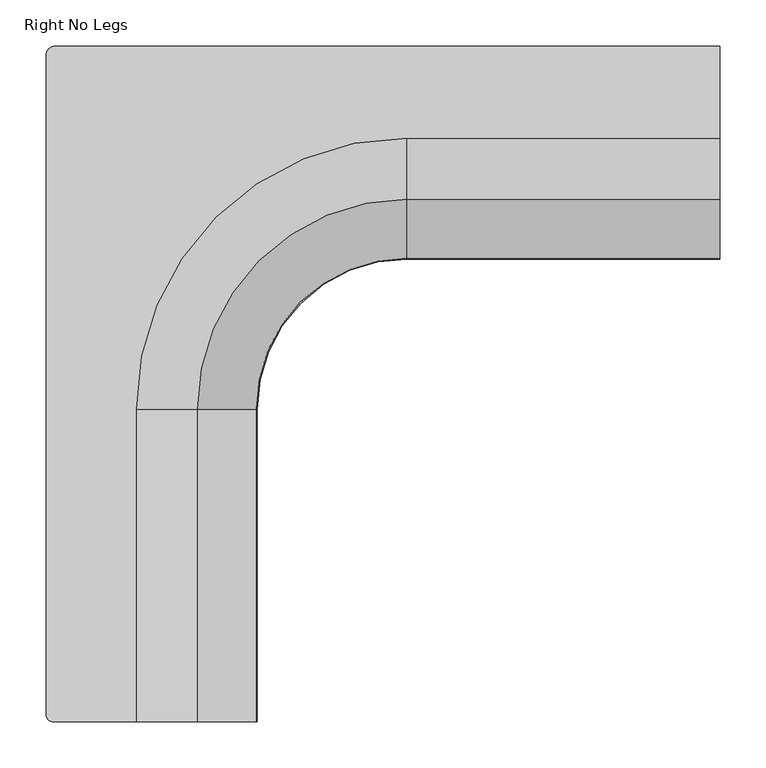
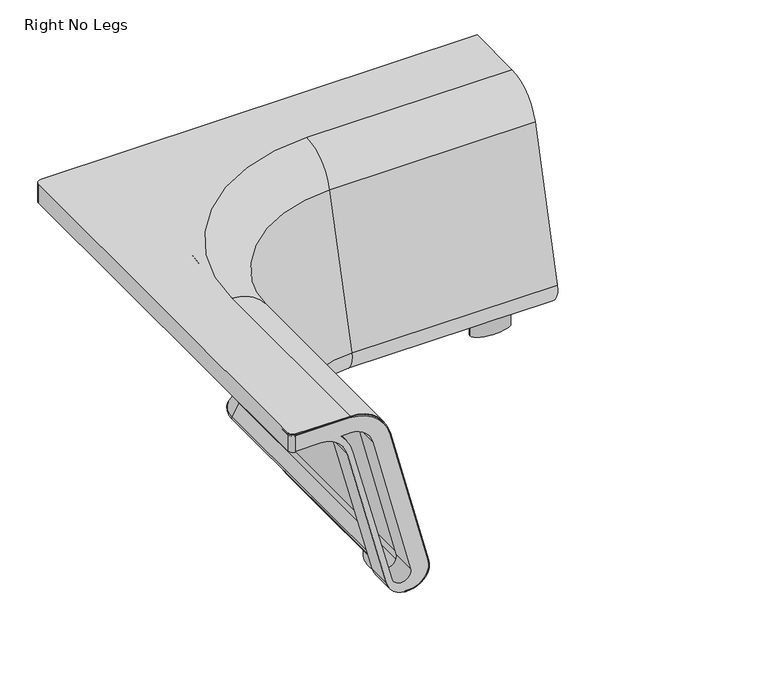
"""IFC4 building model written with IfcOpenShell, lengths in millimetres: furniture geometry, Right No Legs."""

from ifc_helpers import new_model, si_unit, point, frame, origin, place, context, project, spatial, polyline, circle_curve, ellipse_curve, trimmed, source, transform, mapped, element, save
from ifc_brep_helpers import plane_surface, cylinder_surface, revolved_surface, extruded_surface, advanced_brep


def right_no_legs_55390736(model_context):
    return source(origin(), model_context, "Body", "AdvancedBrep", [
        advanced_brep(
        [(4.0928451, -727.9036447, 737.6898792), (4.0928451, -727.9036447, 738.7058792), (4.0928451, -12.4482706, 738.7058792), (4.0928451, -12.4482706, 737.6898792), (4.0928451, -12.4482706, 706.9539877), (4.0928451, -727.9036447, 706.9539877), (14.4529294, -2.0881863, 737.6898792), (14.4529294, -2.0881863, 738.7058792), (736.3766025, -2.0881863, 738.7058792), (736.3766025, -2.0881863, 706.9539877), (14.4529294, -2.0881863, 706.9539877), (11.3999571, -736.2935731, 737.6898792), (12.5630029, -736.3738026, 737.6898792), (12.5630029, -736.3738026, 738.7058792), (736.3753826, -102.0674231, 738.7058792), (736.3745724, -168.4700826, 687.3197435), (736.3737918, -232.4411346, 440.504753), (736.3741779, -200.7960971, 399.6121149), (736.37428, -192.4303931, 399.6121149), (736.37428, -192.4303931, 400.6281149), (736.3741779, -200.7960971, 400.6281149), (736.3738038, -231.4576323, 440.2498427), (736.3745844, -167.4865803, 687.0648332), (736.3753826, -102.0674231, 737.6898792), (736.376583, -3.6883863, 737.6898792), (736.376583, -3.6883863, 706.9539877), (102.0674231, -736.3738026, 738.7058792), (102.0674231, -396.6555944, 738.7058792), (396.6633339, -102.063278, 738.7058792), (396.6625237, -168.4659375, 687.3197435), (396.6617431, -232.4369896, 440.504753), (168.4700826, -396.6555944, 687.3197435), (232.4411346, -396.6555944, 440.504753), (102.0674231, -736.3738026, 737.6898792), (167.4865803, -736.3738026, 687.0648332), (231.4576323, -736.3738026, 440.2498427), (200.7960971, -736.3738026, 400.6281149), (192.4303931, -736.3738026, 400.6281149), (192.4303931, -736.3738026, 399.6121149), (200.7960971, -736.3738026, 399.6121149), (232.4411346, -736.3738026, 440.504753), (168.4700826, -736.3738026, 687.3197435), (396.6621292, -200.7919521, 399.6121149), (200.7960971, -396.6555944, 399.6121149), (192.4303931, -396.6555944, 399.6121149), (396.6622313, -192.4262481, 399.6121149), (396.6622313, -192.4262481, 400.6281149), (192.4303931, -396.6555944, 400.6281149), (200.7960971, -396.6555944, 400.6281149), (396.6621292, -200.7919521, 400.6281149), (396.6617551, -231.4534873, 440.2498427), (396.6625357, -167.4824352, 687.0648332), (396.6633339, -102.063278, 737.6898792), (102.0674231, -396.6555944, 737.6898792), (11.3999571, -734.6744383, 737.6898792), (5.6930451, -727.9036447, 737.6898792), (5.6930451, -12.4482706, 737.6898792), (14.4529294, -3.6883863, 737.6898792), (231.4576323, -396.6555944, 440.2498427), (167.4865803, -396.6555944, 687.0648332), (14.4529294, -3.6883863, 706.9539877), (5.6930451, -12.4482706, 706.9539877), (5.6930451, -727.9036447, 706.9539877), (11.3999571, -734.6744383, 706.9539877), (11.3999571, -736.2935731, 706.9539877)],
        [
            (0, 1),
            (1, 2),
            (2, 3),
            (3, 4),
            (4, 5),
            (5, 0),
            (6, 7),
            (7, 8),
            (8, 9),
            (9, 10),
            (10, 6),
            (0, 11, circle_curve(frame((12.5630029, -727.9036447, 737.6898792), z_axis=(0.0, 0.0, 1.0), x_axis=(1.0, 0.0, 0.0)), 8.4701579)),
            (11, 12, circle_curve(frame((12.5630029, -727.9036447, 737.6898792), z_axis=(0.0, 0.0, 1.0), x_axis=(1.0, 0.0, 0.0)), 8.4701579)),
            (12, 13),
            (13, 1, circle_curve(frame((12.5630029, -727.9036447, 738.7058792), z_axis=(0.0, 0.0, -1.0), x_axis=(1.0, 0.0, 0.0)), 8.4701579)),
            (6, 3, circle_curve(frame((14.4529294, -12.4482706, 737.6898792), z_axis=(0.0, 0.0, 1.0), x_axis=(1.0, 0.0, 0.0)), 10.3600843)),
            (2, 7, circle_curve(frame((14.4529294, -12.4482706, 738.7058792), z_axis=(0.0, 0.0, -1.0), x_axis=(1.0, 0.0, 0.0)), 10.3600843)),
            (14, 15, circle_curve(frame((736.3753826, -102.0674231, 670.1090872), z_axis=(0.9999999999255604, -1.2201603601564117e-05, 0.0), x_axis=(-1.2201603601564117e-05, -0.9999999999255604, 0.0)), 68.5967921)),
            (15, 16),
            (16, 17, circle_curve(frame((736.3741779, -200.7960971, 432.3027944), z_axis=(0.9999999999255604, -1.2201603601564117e-05, 0.0), x_axis=(-1.2201603601564117e-05, -0.9999999999255604, 0.0)), 32.6906795)),
            (17, 18),
            (18, 19),
            (19, 20),
            (20, 21, circle_curve(frame((736.3741779, -200.7960971, 432.3027944), z_axis=(-0.9999999999255604, 1.2201603601564117e-05, 0.0), x_axis=(-1.2201603601564117e-05, -0.9999999999255604, 0.0)), 31.6746795)),
            (21, 22),
            (22, 23, circle_curve(frame((736.3753826, -102.0674231, 670.1090872), z_axis=(-0.9999999999255604, 1.2201603601564117e-05, 0.0), x_axis=(-1.2201603601564117e-05, -0.9999999999255604, 0.0)), 67.5807921)),
            (23, 24),
            (24, 25),
            (25, 9),
            (8, 14),
            (26, 27),
            (27, 28, circle_curve(frame((396.6597394, -396.6555944, 738.7058792), z_axis=(0.0, 0.0, -1.0), x_axis=(1.2201603601028011e-05, 0.9999999999255604, 0.0)), 294.5923163)),
            (28, 14),
            (13, 26),
            (28, 29, circle_curve(frame((396.6633339, -102.063278, 670.1090872), z_axis=(0.9999999999255604, -1.2201603601564117e-05, 0.0), x_axis=(-1.2201603601564117e-05, -0.9999999999255604, 0.0)), 68.5967921)),
            (29, 15),
            (29, 30),
            (30, 16),
            (27, 31, circle_curve(frame((102.0674231, -396.6555944, 670.1090872), z_axis=(0.0, 1.0, 0.0), x_axis=(1.0, 0.0, 0.0)), 68.5967921)),
            (31, 29, circle_curve(frame((396.6597394, -396.6555944, 687.3197435), z_axis=(0.0, 0.0, -1.0), x_axis=(1.2201603601028011e-05, 0.9999999999255604, 0.0)), 228.1896568)),
            (31, 32),
            (32, 30, circle_curve(frame((396.6597394, -396.6555944, 440.504753), z_axis=(0.0, 0.0, -1.0), x_axis=(1.2201603601028011e-05, 0.9999999999255604, 0.0)), 164.2186048)),
            (33, 34, circle_curve(frame((102.0674231, -736.3738026, 670.1090872), z_axis=(0.0, 1.0, 0.0), x_axis=(1.0, 0.0, 0.0)), 67.5807921)),
            (34, 35),
            (35, 36, circle_curve(frame((200.7960971, -736.3738026, 432.3027944), z_axis=(0.0, 1.0, 0.0), x_axis=(1.0, 0.0, 0.0)), 31.6746795)),
            (36, 37),
            (37, 38),
            (38, 39),
            (39, 40, circle_curve(frame((200.7960971, -736.3738026, 432.3027944), z_axis=(0.0, -1.0, 0.0), x_axis=(1.0, 0.0, 0.0)), 32.6906795)),
            (40, 41),
            (41, 26, circle_curve(frame((102.0674231, -736.3738026, 670.1090872), z_axis=(0.0, -1.0, 0.0), x_axis=(1.0, 0.0, 0.0)), 68.5967921)),
            (12, 33),
            (41, 31),
            (40, 32),
            (30, 42, circle_curve(frame((396.6621292, -200.7919521, 432.3027944), z_axis=(0.9999999999255604, -1.2201603601564117e-05, 0.0), x_axis=(-1.2201603601564117e-05, -0.9999999999255604, 0.0)), 32.6906795)),
            (42, 17),
            (42, 43, circle_curve(frame((396.6597394, -396.6555944, 399.6121149), z_axis=(0.0, 0.0, 1.0), x_axis=(1.2201603601028011e-05, 0.9999999999255604, 0.0)), 195.8636423)),
            (43, 39),
            (38, 44),
            (44, 45, circle_curve(frame((396.6597394, -396.6555944, 399.6121149), z_axis=(0.0, 0.0, -1.0), x_axis=(1.2201603601028011e-05, 0.9999999999255604, 0.0)), 204.2293463)),
            (45, 18),
            (32, 43, circle_curve(frame((200.7960971, -396.6555944, 432.3027944), z_axis=(0.0, 1.0, 0.0), x_axis=(1.0, 0.0, 0.0)), 32.6906795)),
            (45, 46),
            (46, 19),
            (46, 47, circle_curve(frame((396.6597394, -396.6555944, 400.6281149), z_axis=(0.0, 0.0, 1.0), x_axis=(1.2201603601028011e-05, 0.9999999999255604, 0.0)), 204.2293463)),
            (47, 37),
            (36, 48),
            (48, 49, circle_curve(frame((396.6597394, -396.6555944, 400.6281149), z_axis=(0.0, 0.0, -1.0), x_axis=(1.2201603601028011e-05, 0.9999999999255604, 0.0)), 195.8636423)),
            (49, 20),
            (49, 50, circle_curve(frame((396.6621292, -200.7919521, 432.3027944), z_axis=(-0.9999999999255604, 1.2201603601564117e-05, 0.0), x_axis=(-1.2201603601564117e-05, -0.9999999999255604, 0.0)), 31.6746795)),
            (50, 21),
            (50, 51),
            (51, 22),
            (51, 52, circle_curve(frame((396.6633339, -102.063278, 670.1090872), z_axis=(-0.9999999999255604, 1.2201603601564117e-05, 0.0), x_axis=(-1.2201603601564117e-05, -0.9999999999255604, 0.0)), 67.5807921)),
            (52, 23),
            (52, 53, circle_curve(frame((396.6597394, -396.6555944, 737.6898792), z_axis=(0.0, 0.0, 1.0), x_axis=(1.2201603601028011e-05, 0.9999999999255604, 0.0)), 294.5923163)),
            (53, 33),
            (11, 54),
            (54, 55, circle_curve(frame((12.5630029, -727.9036447, 737.6898792), z_axis=(0.0, 0.0, -1.0), x_axis=(1.0, 0.0, 0.0)), 6.8699579)),
            (55, 56),
            (56, 57, circle_curve(frame((14.4529294, -12.4482706, 737.6898792), z_axis=(0.0, 0.0, -1.0), x_axis=(1.0, 0.0, 0.0)), 8.7598843)),
            (57, 24),
            (44, 47),
            (48, 58, circle_curve(frame((200.7960971, -396.6555944, 432.3027944), z_axis=(0.0, -1.0, 0.0), x_axis=(1.0, 0.0, 0.0)), 31.6746795)),
            (58, 50, circle_curve(frame((396.6597394, -396.6555944, 440.2498427), z_axis=(0.0, 0.0, -1.0), x_axis=(1.2201603601028011e-05, 0.9999999999255604, 0.0)), 165.2021071)),
            (58, 59),
            (59, 51, circle_curve(frame((396.6597394, -396.6555944, 687.0648332), z_axis=(0.0, 0.0, -1.0), x_axis=(1.2201603601028011e-05, 0.9999999999255604, 0.0)), 229.1731591)),
            (59, 53, circle_curve(frame((102.0674231, -396.6555944, 670.1090872), z_axis=(0.0, -1.0, 0.0), x_axis=(1.0, 0.0, 0.0)), 67.5807921)),
            (35, 58),
            (34, 59),
            (25, 60),
            (60, 61, circle_curve(frame((14.4529294, -12.4482706, 706.9539877), z_axis=(0.0, 0.0, 1.0), x_axis=(1.0, 0.0, 0.0)), 8.7598843)),
            (61, 62),
            (62, 63, circle_curve(frame((12.5630029, -727.9036447, 706.9539877), z_axis=(0.0, 0.0, 1.0), x_axis=(1.0, 0.0, 0.0)), 6.8699579)),
            (63, 64),
            (64, 5, circle_curve(frame((12.5630029, -727.9036447, 706.9539877), z_axis=(0.0, 0.0, -1.0), x_axis=(1.0, 0.0, 0.0)), 8.4701579)),
            (4, 10, circle_curve(frame((14.4529294, -12.4482706, 706.9539877), z_axis=(0.0, 0.0, -1.0), x_axis=(1.0, 0.0, 0.0)), 10.3600843)),
            (64, 11),
            (63, 54),
            (62, 55),
            (61, 56),
            (60, 57),
        ],
        [
            plane_surface(frame((4.0928451, -727.9036447, 1282.6551864), z_axis=(-1.0, 0.0, 0.0), x_axis=(0.0, 0.0, -1.0))),
            plane_surface(frame((14.4529294, -2.0881863, 1282.6551864), z_axis=(0.0, 1.0, 0.0), x_axis=(0.0, 0.0, -1.0))),
            cylinder_surface(frame((12.5630029, -727.9036447, 0.0), z_axis=(0.0, 0.0, -1.0), x_axis=(1.0, 0.0, 0.0)), 8.4701579),
            cylinder_surface(frame((14.4529294, -12.4482706, 0.0), z_axis=(0.0, 0.0, -1.0), x_axis=(1.0, 0.0, 0.0)), 10.3600843),
            plane_surface(frame((736.3738026, -231.5597394, 0.0992188), z_axis=(0.9999999999255604, -1.2201603601564117e-05, 0.0), x_axis=(0.0, 0.0, 1.0))),
            plane_surface(frame((736.3815867, 406.4, 738.7058792), z_axis=(0.0, 0.0, 1.0000000000000002), x_axis=(-0.9999999999255605, 1.2201603600809526e-05, 0.0))),
            cylinder_surface(frame((736.3753826, -102.0674231, 670.1090872), z_axis=(0.9999999999255604, -1.2201603601564117e-05, 0.0), x_axis=(-1.2201603601564117e-05, -0.9999999999255604, 0.0)), 68.5967921),
            plane_surface(frame((736.3745724, -168.4700826, 687.3197435), z_axis=(-1.181132389640143e-05, -0.9680140645005036, 0.25089593617615186), x_axis=(-0.9999999999255605, 1.2201603601407204e-05, 0.0))),
            revolved_surface(trimmed(ellipse_curve(frame((396.6633339, -102.063278, 670.1090872), z_axis=(0.9999999999255604, -1.2201603601028011e-05, 0.0), x_axis=(-1.2201603601028011e-05, -0.9999999999255604, 0.0)), 68.5967921, 68.5967921), [point((396.6633339, -102.063278, 738.7058792))], [point((396.6625237, -168.4659375, 687.3197435))], True, "CARTESIAN"), (396.6597394, -396.6555944, 0.0992188), (0.0, 0.0, 1.0)),
            revolved_surface(polyline([(396.6625237, -168.4659375, 687.3197435), (396.6617431, -232.4369896, 440.504753)]), (396.6597394, -396.6555944, 0.0992188), (0.0, 0.0, 1.0)),
            plane_surface(frame((231.5597394, -736.3738026, 0.0992188), z_axis=(0.0, -1.0, 0.0), x_axis=(0.0, 0.0, 1.0))),
            cylinder_surface(frame((102.0674231, -396.6555944, 670.1090872), z_axis=(0.0, 1.0, 0.0), x_axis=(1.0, 0.0, 0.0)), 68.5967921),
            plane_surface(frame((168.4700826, -396.6555944, 687.3197435), z_axis=(0.9680140645725621, 0.0, 0.25089593617615186), x_axis=(0.0, -1.0, 0.0))),
            cylinder_surface(frame((736.3741779, -200.7960971, 432.3027944), z_axis=(0.9999999999255604, -1.2201603601564117e-05, 0.0), x_axis=(-1.2201603601564117e-05, -0.9999999999255604, 0.0)), 32.6906795),
            plane_surface(frame((736.3741779, -200.7960971, 399.6121149), z_axis=(0.0, 0.0, -1.0000000000000002), x_axis=(-0.9999999999255605, 1.2201603601108366e-05, 0.0))),
            revolved_surface(trimmed(ellipse_curve(frame((396.6621292, -200.7919521, 432.3027944), z_axis=(0.9999999999255604, -1.2201603601028011e-05, 0.0), x_axis=(-1.2201603601028011e-05, -0.9999999999255604, 0.0)), 32.6906795, 32.6906795), [point((396.6617431, -232.4369896, 440.504753))], [point((396.6621292, -200.7919521, 399.6121149))], True, "CARTESIAN"), (396.6597394, -396.6555944, 0.0992188), (0.0, 0.0, 1.0)),
            cylinder_surface(frame((200.7960971, -396.6555944, 432.3027944), z_axis=(0.0, 1.0, 0.0), x_axis=(1.0, 0.0, 0.0)), 32.6906795),
            plane_surface(frame((736.37428, -192.4303931, 399.6121149), z_axis=(1.2201603601805652e-05, 0.9999999999255605, 0.0), x_axis=(-0.9999999999255605, 1.2201603601805652e-05, 0.0))),
            plane_surface(frame((736.37428, -192.4303931, 400.6281149), z_axis=(0.0, 0.0, 1.0000000000000002), x_axis=(-0.9999999999255605, 1.2201603601805652e-05, 0.0))),
            revolved_surface(polyline([(396.661742718117, -232.46663156588494, 432.3027944), (736.3737914380149, -232.4707765976424, 432.3027944)]), (736.3741779, -200.7960971, 432.3027944), (-0.9999999999255604, 1.2201603601564117e-05, 0.0)),
            plane_surface(frame((736.3738038, -231.4576323, 440.2498427), z_axis=(1.181132389717638e-05, 0.9680140645005036, -0.25089593617615186), x_axis=(-0.9999999999255605, 1.2201603602104489e-05, 0.0))),
            revolved_surface(polyline([(396.6625093059629, -169.6440701632121, 670.1090872), (736.3745580245878, -169.64821519496954, 670.1090872)]), (736.3753826, -102.0674231, 670.1090872), (-0.9999999999255604, 1.2201603601564117e-05, 0.0)),
            plane_surface(frame((736.3753826, -102.0674231, 737.6898792), z_axis=(0.0, 0.0, -1.0000000000000002), x_axis=(-0.9999999999255605, 1.2201603601357392e-05, 0.0))),
            cylinder_surface(frame((396.6597394, -396.6555944, 0.0992188), z_axis=(0.0, 0.0, 1.0), x_axis=(1.2201603601028011e-05, 0.9999999999255604, 0.0)), 204.2293463),
            revolved_surface(trimmed(ellipse_curve(frame((396.6621292, -200.7919521, 432.3027944), z_axis=(-0.9999999999255604, 1.2201603601028011e-05, 0.0), x_axis=(-1.2201603601028011e-05, -0.9999999999255604, 0.0)), 31.6746795, 31.6746795), [point((396.6621292, -200.7919521, 400.6281149))], [point((396.6617551, -231.4534873, 440.2498427))], True, "CARTESIAN"), (396.6597394, -396.6555944, 0.0992188), (0.0, 0.0, 1.0)),
            revolved_surface(polyline([(396.6617551, -231.4534873, 440.2498427), (396.6625357, -167.4824352, 687.0648332)]), (396.6597394, -396.6555944, 0.0992188), (0.0, 0.0, 1.0)),
            revolved_surface(trimmed(ellipse_curve(frame((396.6633339, -102.063278, 670.1090872), z_axis=(-0.9999999999255604, 1.2201603601028011e-05, 0.0), x_axis=(-1.2201603601028011e-05, -0.9999999999255604, 0.0)), 67.5807921, 67.5807921), [point((396.6625357, -167.4824352, 687.0648332))], [point((396.6633339, -102.063278, 737.6898792))], True, "CARTESIAN"), (396.6597394, -396.6555944, 0.0992188), (0.0, 0.0, 1.0)),
            plane_surface(frame((192.4303931, -396.6555944, 399.6121149), z_axis=(-1.0, 0.0, 0.0), x_axis=(0.0, -1.0, 0.0))),
            revolved_surface(polyline([(232.4707766, -736.3738026, 432.3027944), (232.4707766, -396.6555944, 432.3027944)]), (200.7960971, -396.6555944, 432.3027944), (0.0, -1.0, 0.0)),
            plane_surface(frame((231.4576323, -396.6555944, 440.2498427), z_axis=(-0.9680140645725621, 0.0, -0.25089593617615186), x_axis=(0.0, -1.0, 0.0))),
            revolved_surface(polyline([(169.64821519999998, -736.3738026, 670.1090872), (169.64821519999998, -396.6555944, 670.1090872)]), (102.0674231, -396.6555944, 670.1090872), (0.0, -1.0, 0.0)),
            plane_surface(frame((24.8130137, -12.4482706, 706.9539877), z_axis=(0.0, 0.0, -1.0), x_axis=(0.0, -1.0, 0.0))),
            cylinder_surface(frame((14.4529294, -12.4482706, 706.9539877), z_axis=(0.0, 0.0, 1.0), x_axis=(1.0, 0.0, 0.0)), 10.3600843),
            cylinder_surface(frame((12.5630029, -727.9036447, 706.9539877), z_axis=(0.0, 0.0, 1.0), x_axis=(1.0, 0.0, 0.0)), 8.4701579),
            plane_surface(frame((11.3999571, -736.2935731, 737.6898792), z_axis=(1.0, 0.0, 0.0), x_axis=(0.0, 0.0, -1.0))),
            revolved_surface(polyline([(19.4329608, -727.9036447, 706.9539877), (19.4329608, -727.9036447, 737.6898792)]), (12.5630029, -727.9036447, 706.9539877), (0.0, 0.0, -1.0)),
            plane_surface(frame((5.6930451, -727.9036447, 737.6898792), z_axis=(1.0, 0.0, 0.0), x_axis=(0.0, 0.0, -1.0))),
            revolved_surface(polyline([(23.212813699999998, -12.4482706, 706.9539877), (23.212813699999998, -12.4482706, 737.6898792)]), (14.4529294, -12.4482706, 706.9539877), (0.0, 0.0, -1.0)),
            plane_surface(frame((14.4529294, -3.6883863, 737.6898792), z_axis=(0.0, -1.0, 0.0), x_axis=(0.0, 0.0, -1.0))),
        ],
        [
            (0, [[1, 2, 3, 4, 5, 6]]),
            (1, [[7, 8, 9, 10, 11]]),
            (2, [[-1, 12, 13, 14, 15]]),
            (3, [[-7, 16, -3, 17]]),
            (4, [[18, 19, 20, 21, 22, 23, 24, 25, 26, 27, 28, 29, -9, 30]]),
            (5, [[31, 32, 33, -30, -8, -17, -2, -15, 34]]),
            (6, [[-18, -33, 35, 36]]),
            (7, [[-19, -36, 37, 38]]),
            (8, [[-32, 39, 40, -35]]),
            (9, [[-37, -40, 41, 42]]),
            (10, [[43, 44, 45, 46, 47, 48, 49, 50, 51, -34, -14, 52]]),
            (11, [[-31, -51, 53, -39]]),
            (12, [[-41, -53, -50, 54]]),
            (13, [[-20, -38, 55, 56]]),
            (14, [[-21, -56, 57, 58, -48, 59, 60, 61]]),
            (15, [[-42, 62, -57, -55]]),
            (16, [[-49, -58, -62, -54]]),
            (17, [[-22, -61, 63, 64]]),
            (18, [[-23, -64, 65, 66, -46, 67, 68, 69]]),
            (19, [[-24, -69, 70, 71]]),
            (20, [[-25, -71, 72, 73]]),
            (21, [[-26, -73, 74, 75]]),
            (22, [[-75, 76, 77, -52, -13, 78, 79, 80, 81, 82, -27]]),
            (23, [[-60, 83, -65, -63]]),
            (24, [[-68, 84, 85, -70]]),
            (25, [[-72, -85, 86, 87]]),
            (26, [[-74, -87, 88, -76]]),
            (27, [[-47, -66, -83, -59]]),
            (28, [[-45, 89, -84, -67]]),
            (29, [[-44, 90, -86, -89]]),
            (30, [[-43, -77, -88, -90]]),
            (31, [[-10, -29, 91, 92, 93, 94, 95, 96, -5, 97]]),
            (32, [[-97, -4, -16, -11]]),
            (33, [[-96, 98, -12, -6]]),
            (34, [[-95, 99, -78, -98]]),
            (35, [[-94, 100, -79, -99]]),
            (36, [[-93, 101, -80, -100]]),
            (37, [[-92, 102, -81, -101]]),
            (38, [[-91, -28, -82, -102]]),
        ],
    ),
        advanced_brep(
        [(206.4803363, -668.581808, 403.3751371), (206.4803363, -601.4756155, 403.3751371), (206.4803363, -668.581808, 381.0), (206.4803363, -601.4756155, 381.0)],
        [
            (0, 1, ellipse_curve(frame((206.4803363, -635.0287117, 403.3751371), z_axis=(0.0, 0.0, 1.0), x_axis=(0.0, 1.0, 0.0)), 33.5530962, 13.5066429)),
            (1, 0, ellipse_curve(frame((206.4803363, -635.0287117, 403.3751371), z_axis=(0.0, 0.0, 1.0), x_axis=(0.0, 1.0, 0.0)), 33.5530962, 13.5066429)),
            (2, 3, ellipse_curve(frame((206.4803363, -635.0287117, 381.0), z_axis=(0.0, 0.0, -1.0), x_axis=(0.0, 1.0, 0.0)), 33.5530962, 13.5066429)),
            (3, 2, ellipse_curve(frame((206.4803363, -635.0287117, 381.0), z_axis=(0.0, 0.0, -1.0), x_axis=(0.0, 1.0, 0.0)), 33.5530962, 13.5066429)),
            (1, 3),
            (2, 0),
        ],
        [
            plane_surface(frame((206.4803363, -601.4756155, 403.3751371), z_axis=(0.0, 0.0, 1.0), x_axis=(-1.0, 0.0, 0.0))),
            plane_surface(frame((206.4803363, -601.4756155, 381.0), z_axis=(0.0, 0.0, -1.0), x_axis=(1.0, 0.0, 0.0))),
            extruded_surface(trimmed(ellipse_curve(frame((206.4803363, -635.0287117, 358.6248629), z_axis=(0.0, 0.0, 1.0), x_axis=(0.0, 1.0, 0.0)), 33.5530962, 13.5066429), [point((206.4803363, -601.4756155, 358.6248629))], [point((206.4803363, -668.581808, 358.6248629))], True, "CARTESIAN"), (0.0, 0.0, 22.375137100000018), 22.375137100000018),
            extruded_surface(trimmed(ellipse_curve(frame((206.4803363, -635.0287117, 358.6248629), z_axis=(0.0, 0.0, 1.0), x_axis=(0.0, 1.0, 0.0)), 33.5530962, 13.5066429), [point((206.4803363, -668.581808, 358.6248629))], [point((206.4803363, -601.4756155, 358.6248629))], True, "CARTESIAN"), (0.0, 0.0, 22.375137100000018), 22.375137100000018),
        ],
        [
            (0, [[1, 2]]),
            (1, [[3, 4]]),
            (2, [[-2, 5, -3, 6]]),
            (3, [[-1, -6, -4, -5]]),
        ],
    ),
        advanced_brep(
        [(606.5149378, -206.4844747, 407.9918445), (673.6211303, -206.4844747, 407.9918445), (606.5149378, -206.4844747, 381.0), (673.6211303, -206.4844747, 381.0)],
        [
            (0, 1, ellipse_curve(frame((640.0680341, -206.4844747, 407.9918445), z_axis=(0.0, 0.0, 1.0), x_axis=(1.0, 0.0, 0.0)), 33.5530962, 13.5066429)),
            (1, 0, ellipse_curve(frame((640.0680341, -206.4844747, 407.9918445), z_axis=(0.0, 0.0, 1.0), x_axis=(1.0, 0.0, 0.0)), 33.5530962, 13.5066429)),
            (2, 3, ellipse_curve(frame((640.0680341, -206.4844747, 381.0), z_axis=(0.0, 0.0, -1.0), x_axis=(1.0, 0.0, 0.0)), 33.5530962, 13.5066429)),
            (3, 2, ellipse_curve(frame((640.0680341, -206.4844747, 381.0), z_axis=(0.0, 0.0, -1.0), x_axis=(1.0, 0.0, 0.0)), 33.5530962, 13.5066429)),
            (1, 3),
            (2, 0),
        ],
        [
            plane_surface(frame((673.6211303, -206.4844747, 407.9918445), z_axis=(0.0, 0.0, 1.0), x_axis=(0.0, 1.0, 0.0))),
            plane_surface(frame((673.6211303, -206.4844747, 381.0), z_axis=(0.0, 0.0, -1.0), x_axis=(0.0, -1.0, 0.0))),
            extruded_surface(trimmed(ellipse_curve(frame((640.0680341, -206.4844747, 354.0081555), z_axis=(0.0, 0.0, 1.0), x_axis=(1.0, 0.0, 0.0)), 33.5530962, 13.5066429), [point((673.6211303, -206.4844747, 354.0081555))], [point((606.5149378, -206.4844747, 354.0081555))], True, "CARTESIAN"), (0.0, 0.0, 26.991844500000013), 26.991844500000013),
            extruded_surface(trimmed(ellipse_curve(frame((640.0680341, -206.4844747, 354.0081555), z_axis=(0.0, 0.0, 1.0), x_axis=(1.0, 0.0, 0.0)), 33.5530962, 13.5066429), [point((606.5149378, -206.4844747, 354.0081555))], [point((673.6211303, -206.4844747, 354.0081555))], True, "CARTESIAN"), (0.0, 0.0, 26.991844500000013), 26.991844500000013),
        ],
        [
            (0, [[1, 2]]),
            (1, [[3, 4]]),
            (2, [[-2, 5, -3, 6]]),
            (3, [[-1, -6, -4, -5]]),
        ],
    ),
        advanced_brep(
        [(4.0928451, -727.9036447, 708.6966867), (4.0928451, -727.9036447, 735.4755137), (4.0928451, -695.6642235, 735.4755137), (4.0928451, -695.6642235, 708.6966867), (12.5630029, -736.3738026, 735.4755137), (12.5630029, -736.3738026, 708.6966867), (53.3675541, -736.3738026, 708.6966867), (97.3697672, -736.3738026, 674.6745672), (162.2222659, -736.3738026, 425.313919), (230.6712686, -736.3738026, 443.0853769), (168.2524008, -736.3738026, 683.9116846), (101.6201207, -736.3738026, 735.4755137), (171.7403513, -736.3738026, 429.3472792), (107.578181, -736.3738026, 673.3498636), (87.27159, -736.3738026, 708.6966867), (102.9644436, -736.3738026, 708.6966867), (139.8694251, -736.3738026, 680.0641225), (202.1602016, -736.3738026, 437.2486429), (101.6201207, -695.6642235, 735.4755137), (168.2524008, -695.6642235, 683.9116846), (230.6712686, -695.6642235, 443.0853769), (162.2222659, -695.6642235, 425.313919), (97.3697672, -695.6642235, 674.6745672), (53.3675541, -695.6642235, 708.6966867), (171.7403513, -695.6642235, 429.3472792), (202.1602016, -695.6642235, 437.2486429), (139.8694251, -695.6642235, 680.0641225), (102.9644436, -695.6642235, 708.6966867), (87.27159, -695.6642235, 708.6966867), (107.578181, -695.6642235, 673.3498636)],
        [
            (0, 1),
            (1, 2),
            (2, 3),
            (3, 0),
            (4, 5),
            (5, 6),
            (6, 7, circle_curve(frame((53.3675541, -736.3738026, 663.2306867), z_axis=(0.0, 1.0, 0.0), x_axis=(1.0, 0.0, 0.0)), 45.466)),
            (7, 8),
            (8, 9, circle_curve(frame((196.4430676, -736.3738026, 434.2138978), z_axis=(0.0, -1.0, 0.0), x_axis=(1.0, 0.0, 0.0)), 35.359198)),
            (9, 10),
            (10, 11, circle_curve(frame((101.6201207, -736.3738026, 666.6415137), z_axis=(0.0, -1.0, 0.0), x_axis=(1.0, 0.0, 0.0)), 68.834)),
            (11, 4),
            (12, 13),
            (13, 14, circle_curve(frame((32.1254574, -736.3738026, 653.5090471), z_axis=(0.0, -1.0, 0.0), x_axis=(1.0, 0.0, 0.0)), 78.017764)),
            (14, 15),
            (15, 16, circle_curve(frame((102.9644436, -736.3738026, 670.5966867), z_axis=(0.0, 1.0, 0.0), x_axis=(1.0, 0.0, 0.0)), 38.1)),
            (16, 17),
            (17, 12, circle_curve(frame((186.9383936, -736.3738026, 433.3437097), z_axis=(0.0, 1.0, 0.0), x_axis=(1.0, 0.0, 0.0)), 15.7147047)),
            (0, 5, circle_curve(frame((12.5630029, -727.9036447, 708.6966867), z_axis=(0.0, 0.0, 1.0), x_axis=(1.0, 0.0, 0.0)), 8.4701579)),
            (4, 1, circle_curve(frame((12.5630029, -727.9036447, 735.4755137), z_axis=(0.0, 0.0, -1.0), x_axis=(1.0, 0.0, 0.0)), 8.4701579)),
            (18, 19, circle_curve(frame((101.6201207, -695.6642235, 666.6415137), z_axis=(0.0, 1.0, 0.0), x_axis=(1.0, 0.0, 0.0)), 68.834)),
            (19, 20),
            (20, 21, circle_curve(frame((196.4430676, -695.6642235, 434.2138978), z_axis=(0.0, 1.0, 0.0), x_axis=(1.0, 0.0, 0.0)), 35.359198)),
            (21, 22),
            (22, 23, circle_curve(frame((53.3675541, -695.6642235, 663.2306867), z_axis=(0.0, -1.0, 0.0), x_axis=(1.0, 0.0, 0.0)), 45.466)),
            (23, 3),
            (2, 18),
            (24, 25, circle_curve(frame((186.9383936, -695.6642235, 433.3437097), z_axis=(0.0, -1.0, 0.0), x_axis=(1.0, 0.0, 0.0)), 15.7147047)),
            (25, 26),
            (26, 27, circle_curve(frame((102.9644436, -695.6642235, 670.5966867), z_axis=(0.0, -1.0, 0.0), x_axis=(1.0, 0.0, 0.0)), 38.1)),
            (27, 28),
            (28, 29, circle_curve(frame((32.1254574, -695.6642235, 653.5090471), z_axis=(0.0, 1.0, 0.0), x_axis=(1.0, 0.0, 0.0)), 78.017764)),
            (29, 24),
            (29, 13),
            (12, 24),
            (28, 14),
            (27, 15),
            (26, 16),
            (25, 17),
            (23, 6),
            (22, 7),
            (21, 8),
            (19, 10),
            (9, 20),
            (18, 11),
        ],
        [
            plane_surface(frame((4.0928451, -727.9036447, 1282.6551864), z_axis=(-1.0, 0.0, 0.0), x_axis=(0.0, 0.0, -1.0))),
            plane_surface(frame((269.5782822, -736.3738026, 1282.6551864), z_axis=(0.0, -1.0, 0.0), x_axis=(0.0, 0.0, -1.0))),
            cylinder_surface(frame((12.5630029, -727.9036447, 0.0), z_axis=(0.0, 0.0, -1.0), x_axis=(1.0, 0.0, 0.0)), 8.4701579),
            plane_surface(frame((107.578181, -695.6642235, 673.3498636), z_axis=(0.0, 1.0, 0.0), x_axis=(0.2543115245127428, 0.0, -0.9671223544619392))),
            plane_surface(frame((171.7403513, -804.2100542, 429.3472792), z_axis=(0.9671223544619392, 0.0, 0.2543115245127428), x_axis=(0.0, 1.0, 0.0))),
            cylinder_surface(frame((32.1254574, -695.6642235, 653.5090471), z_axis=(0.0, -1.0, 0.0), x_axis=(1.0, 0.0, 0.0)), 78.017764),
            plane_surface(frame((87.27159, -804.2100542, 708.6966867), z_axis=(0.0, 0.0, -1.0), x_axis=(0.0, 1.0, 0.0))),
            revolved_surface(polyline([(141.0644436, -695.6642235, 670.5966867), (141.0644436, -736.3738026, 670.5966867)]), (102.9644436, -695.6642235, 670.5966867), (0.0, 1.0, 0.0)),
            plane_surface(frame((139.8694251, -804.2100542, 680.0641225), z_axis=(-0.9686346852607111, 0.0, -0.24848912754863797), x_axis=(0.0, 1.0, 0.0))),
            revolved_surface(polyline([(202.6530983, -695.6642235, 433.3437097), (202.6530983, -736.3738026, 433.3437097)]), (186.9383936, -695.6642235, 433.3437097), (0.0, 1.0, 0.0)),
            plane_surface(frame((-389.6946104, -804.2100542, 708.6966867), z_axis=(0.0, 0.0, -1.0), x_axis=(0.0, 1.0, 0.0))),
            revolved_surface(polyline([(98.8335541, -695.6642235, 663.2306867), (98.8335541, -736.3738026, 663.2306867)]), (53.3675541, 0.0, 663.2306867), (0.0, 1.0, 0.0)),
            plane_surface(frame((97.3697672, -804.2100542, 674.6745672), z_axis=(-0.967804800564199, 0.0, -0.2517019427912527), x_axis=(0.0, 1.0, 0.0))),
            plane_surface(frame((230.6712686, -804.2100542, 443.0853769), z_axis=(0.968014064572562, 0.0, 0.25089593617615225), x_axis=(0.0, 1.0, 0.0))),
            cylinder_surface(frame((101.6201207, 0.0, 666.6415137), z_axis=(0.0, -1.0, 0.0), x_axis=(1.0, 0.0, 0.0)), 68.834),
            plane_surface(frame((101.6201207, -804.2100542, 735.4755137), z_axis=(0.0, 0.0, 1.0), x_axis=(0.0, 1.0, 0.0))),
            cylinder_surface(frame((196.4430676, 0.0, 434.2138978), z_axis=(0.0, -1.0, 0.0), x_axis=(1.0, 0.0, 0.0)), 35.359198),
        ],
        [
            (0, [[1, 2, 3, 4]]),
            (1, [[5, 6, 7, 8, 9, 10, 11, 12], [13, 14, 15, 16, 17, 18]]),
            (2, [[-1, 19, -5, 20]]),
            (3, [[21, 22, 23, 24, 25, 26, -3, 27], [28, 29, 30, 31, 32, 33]]),
            (4, [[-33, 34, -13, 35]]),
            (5, [[-32, 36, -14, -34]]),
            (6, [[-31, 37, -15, -36]]),
            (7, [[-30, 38, -16, -37]]),
            (8, [[-29, 39, -17, -38]]),
            (9, [[-28, -35, -18, -39]]),
            (10, [[-26, 40, -6, -19, -4]]),
            (11, [[-25, 41, -7, -40]]),
            (12, [[-24, 42, -8, -41]]),
            (13, [[-22, 43, -10, 44]]),
            (14, [[-21, 45, -11, -43]]),
            (15, [[-27, -2, -20, -12, -45]]),
            (16, [[-23, -44, -9, -42]]),
        ],
    ),
        advanced_brep(
        [(691.3118002, -2.0881863, 707.2084054), (691.3118002, -2.0881863, 737.6898792), (736.6000242, -2.0881863, 737.6898792), (736.6000242, -2.0881863, 707.2084054), (691.3118002, -53.5130473, 707.2084054), (691.3118002, -97.5152603, 673.186286), (691.3118002, -161.7026996, 426.3828199), (691.3118002, -231.4428526, 440.2076474), (691.3118002, -167.4088622, 687.2654687), (691.3118002, -102.2489719, 737.6898792), (691.3118002, -171.4729752, 429.4464979), (691.3118002, -107.3108049, 673.4490824), (691.3118002, -87.0042139, 708.7959054), (691.3118002, -102.6970675, 708.7959054), (691.3118002, -139.6020491, 680.1633412), (691.3118002, -201.8928255, 437.3478617), (736.6000242, -102.2489719, 737.6898792), (736.6000242, -167.4088622, 687.2654687), (736.6000242, -231.4428526, 440.2076474), (736.6000242, -161.7026996, 426.3828199), (736.6000242, -97.5152603, 673.186286), (736.6000242, -53.5130473, 707.2084054), (736.6000242, -171.4729752, 429.4464979), (736.6000242, -201.8928255, 437.3478617), (736.6000242, -139.6020491, 680.1633412), (736.6000242, -102.6970675, 708.7959054), (736.6000242, -87.0042139, 708.7959054), (736.6000242, -107.3108049, 673.4490824)],
        [
            (0, 1),
            (1, 2),
            (2, 3),
            (3, 0),
            (4, 5, circle_curve(frame((691.3118002, -53.5130473, 661.7424054), z_axis=(1.0, 0.0, 0.0), x_axis=(0.0, -1.0, 0.0)), 45.466)),
            (5, 6),
            (6, 7, circle_curve(frame((691.3118002, -196.1662588, 435.345934), z_axis=(-1.0, 0.0, 0.0), x_axis=(0.0, -1.0, 0.0)), 35.6100313)),
            (7, 8),
            (8, 9, circle_curve(frame((691.3118002, -102.2489719, 670.376921), z_axis=(-1.0, 0.0, 0.0), x_axis=(0.0, -1.0, 0.0)), 67.3129582)),
            (9, 1),
            (0, 4),
            (10, 11),
            (11, 12, circle_curve(frame((691.3118002, -31.8580813, 653.6082659), z_axis=(-1.0, 0.0, 0.0), x_axis=(0.0, -1.0, 0.0)), 78.017764)),
            (12, 13),
            (13, 14, circle_curve(frame((691.3118002, -102.6970675, 670.6959054), z_axis=(1.0, 0.0, 0.0), x_axis=(0.0, -1.0, 0.0)), 38.1)),
            (14, 15),
            (15, 10, circle_curve(frame((691.3118002, -186.6710175, 433.4429284), z_axis=(1.0, 0.0, 0.0), x_axis=(0.0, -1.0, 0.0)), 15.7147047)),
            (16, 17, circle_curve(frame((736.6000242, -102.2489719, 670.376921), z_axis=(1.0, 0.0, 0.0), x_axis=(0.0, -1.0, 0.0)), 67.3129582)),
            (17, 18),
            (18, 19, circle_curve(frame((736.6000242, -196.1662588, 435.345934), z_axis=(1.0, 0.0, 0.0), x_axis=(0.0, -1.0, 0.0)), 35.6100313)),
            (19, 20),
            (20, 21, circle_curve(frame((736.6000242, -53.5130473, 661.7424054), z_axis=(-1.0, 0.0, 0.0), x_axis=(0.0, -1.0, 0.0)), 45.466)),
            (21, 3),
            (2, 16),
            (22, 23, circle_curve(frame((736.6000242, -186.6710175, 433.4429284), z_axis=(-1.0, 0.0, 0.0), x_axis=(0.0, -1.0, 0.0)), 15.7147047)),
            (23, 24),
            (24, 25, circle_curve(frame((736.6000242, -102.6970675, 670.6959054), z_axis=(-1.0, 0.0, 0.0), x_axis=(0.0, -1.0, 0.0)), 38.1)),
            (25, 26),
            (26, 27, circle_curve(frame((736.6000242, -31.8580813, 653.6082659), z_axis=(1.0, 0.0, 0.0), x_axis=(0.0, -1.0, 0.0)), 78.017764)),
            (27, 22),
            (10, 22),
            (27, 11),
            (26, 12),
            (25, 13),
            (24, 14),
            (23, 15),
            (21, 4),
            (20, 5),
            (19, 6),
            (18, 7),
            (17, 8),
            (16, 9),
        ],
        [
            plane_surface(frame((14.4529294, -2.0881863, 1282.6551864), z_axis=(0.0, 1.0, 0.0), x_axis=(0.0, 0.0, -1.0))),
            plane_surface(frame((691.3118002, -107.3108049, 673.4490824), z_axis=(-1.0000000000000002, 0.0, 0.0), x_axis=(0.0, 0.2543115245127433, 0.9671223544619391))),
            plane_surface(frame((736.6000242, -107.3108049, 673.4490824), z_axis=(1.0000000000000002, 0.0, 0.0), x_axis=(0.0, -0.2543115245127433, -0.9671223544619391))),
            plane_surface(frame((691.3118002, -171.4729752, 429.4464979), z_axis=(0.0, -0.9671223544619391, 0.2543115245127433), x_axis=(1.0, 0.0, 0.0))),
            cylinder_surface(frame((736.6000242, -31.8580813, 653.6082659), z_axis=(-1.0, 0.0, 0.0), x_axis=(0.0, -1.0, 0.0)), 78.017764),
            plane_surface(frame((691.3118002, -87.0042139, 708.7959054), z_axis=(0.0, 0.0, -1.0), x_axis=(1.0, 0.0, 0.0))),
            revolved_surface(polyline([(736.6000242, -140.7970675, 670.6959054), (691.3118002, -140.7970675, 670.6959054)]), (736.6000242, -102.6970675, 670.6959054), (1.0, 0.0, 0.0)),
            plane_surface(frame((691.3118002, -139.6020491, 680.1633412), z_axis=(0.0, 0.968634685260711, -0.24848912754863844), x_axis=(1.0, 0.0, 0.0))),
            revolved_surface(polyline([(736.6000242, -202.3857222, 433.4429284), (691.3118002, -202.3857222, 433.4429284)]), (736.6000242, -186.6710175, 433.4429284), (1.0, 0.0, 0.0)),
            plane_surface(frame((691.3118002, 389.9622045, 707.2084054), z_axis=(0.0, 0.0, -1.0), x_axis=(1.0, 0.0, 0.0))),
            revolved_surface(polyline([(736.6000242, -98.97904729999999, 661.7424054), (691.3118002000001, -98.97904729999999, 661.7424054)]), (1939.6017094, -53.5130473, 661.7424054), (1.0, 0.0, 0.0)),
            plane_surface(frame((691.3118002, -97.5152603, 673.186286), z_axis=(0.0, 0.967804800564199, -0.25170194279125263), x_axis=(1.0, 0.0, 0.0))),
            cylinder_surface(frame((1939.6017094, -196.1662588, 435.345934), z_axis=(-1.0, 0.0, 0.0), x_axis=(0.0, -1.0, 0.0)), 35.6100313),
            plane_surface(frame((691.3118002, -231.4428526, 440.2076474), z_axis=(0.0, -0.968014064577098, 0.25089593615865086), x_axis=(1.0, 0.0, 0.0))),
            cylinder_surface(frame((1939.6017094, -102.2489719, 670.376921), z_axis=(-1.0, 0.0, 0.0), x_axis=(0.0, -1.0, 0.0)), 67.3129582),
            plane_surface(frame((691.3118002, -102.2489719, 737.6898792), z_axis=(0.0, 0.0, 1.0), x_axis=(1.0, 0.0, 0.0))),
        ],
        [
            (0, [[1, 2, 3, 4]]),
            (1, [[5, 6, 7, 8, 9, 10, -1, 11], [12, 13, 14, 15, 16, 17]]),
            (2, [[18, 19, 20, 21, 22, 23, -3, 24], [25, 26, 27, 28, 29, 30]]),
            (3, [[-12, 31, -30, 32]]),
            (4, [[-13, -32, -29, 33]]),
            (5, [[-14, -33, -28, 34]]),
            (6, [[-15, -34, -27, 35]]),
            (7, [[-16, -35, -26, 36]]),
            (8, [[-17, -36, -25, -31]]),
            (9, [[37, -11, -4, -23]]),
            (10, [[-5, -37, -22, 38]]),
            (11, [[-6, -38, -21, 39]]),
            (12, [[-7, -39, -20, 40]]),
            (13, [[-8, -40, -19, 41]]),
            (14, [[-9, -41, -18, 42]]),
            (15, [[-42, -24, -2, -10]]),
        ],
    ),
        advanced_brep(
        [(694.4879102, -140.5883497, 719.5566605), (694.4869816, -216.6937483, 425.9245779), (694.487231, -196.2548943, 399.5128962), (694.4872776, -192.4298433, 399.5128962), (694.4873089, -189.8653707, 404.0455861), (694.4871668, -201.5120747, 423.4289565), (694.4871467, -203.1646992, 434.6967079), (694.4879106, -140.5537589, 680.1143052), (694.4883611, -103.6362327, 708.7959054), (694.4894637, -13.2699517, 708.7959054), (694.4894637, -13.2699517, 719.5566605), (242.4379271, -103.6307169, 708.7959054), (106.8117825, -239.2552067, 708.7959054), (106.8117825, -695.6642235, 708.7959054), (12.7, -695.6642235, 708.7959054), (12.7, -23.630036, 708.7959054), (23.0600843, -13.2699517, 708.7959054), (143.7638995, -695.6642235, 719.5566605), (143.7638995, -239.2552067, 719.5566605), (242.4374763, -140.582834, 719.5566605), (23.0600843, -13.2699517, 719.5566605), (12.7, -23.630036, 719.5566605), (12.7, -695.6642235, 719.5566605), (242.4365476, -216.6882326, 425.9245779), (219.8692981, -239.2552067, 425.9245779), (143.7293087, -695.6642235, 680.1143052), (206.340249, -695.6642235, 434.6967079), (204.6876245, -695.6642235, 423.4289565), (193.0409205, -695.6642235, 404.0455861), (195.6053931, -695.6642235, 399.5128962), (199.4304441, -695.6642235, 399.5128962), (219.8692981, -695.6642235, 425.9245779), (242.436797, -196.2493785, 399.5128962), (199.4304441, -239.2552067, 399.5128962), (195.6053931, -239.2552067, 399.5128962), (242.4368437, -192.4243275, 399.5128962), (242.436875, -189.859855, 404.0455861), (242.4367329, -201.5065589, 423.4289565), (242.4367127, -203.1591835, 434.6967079), (242.4374767, -140.5482432, 680.1143052), (193.0409205, -239.2552067, 404.0455861), (204.6876245, -239.2552067, 423.4289565), (206.340249, -239.2552067, 434.6967079), (143.7293087, -239.2552067, 680.1143052)],
        [
            (0, 1),
            (1, 2, circle_curve(frame((694.487231, -196.2548943, 420.627108), z_axis=(0.9999999999255604, -1.2201603601564117e-05, 0.0), x_axis=(-1.2201603601564117e-05, -0.9999999999255604, 0.0)), 21.1142118)),
            (2, 3),
            (3, 4, circle_curve(frame((694.4872776, -192.4298433, 402.5046955), z_axis=(0.9999999999255604, -1.2201603601564117e-05, 0.0), x_axis=(-1.2201603601564117e-05, -0.9999999999255604, 0.0)), 2.9917993)),
            (4, 5),
            (5, 6, circle_curve(frame((694.4873214, -188.8410709, 431.0424637), z_axis=(-0.9999999999255604, 1.2201603601564117e-05, 0.0), x_axis=(-1.2201603601564117e-05, -0.9999999999255604, 0.0)), 14.7824162)),
            (6, 7),
            (7, 8, circle_curve(frame((694.4883611, -103.6362327, 670.6959054), z_axis=(-0.9999999999255604, 1.2201603601564117e-05, 0.0), x_axis=(-1.2201603601564117e-05, -0.9999999999255604, 0.0)), 38.1)),
            (8, 9),
            (9, 10),
            (10, 0),
            (8, 11),
            (11, 12, circle_curve(frame((242.4362723, -239.2552067, 708.7959054), z_axis=(0.0, 0.0, 1.0), x_axis=(1.2201603598363476e-05, 0.9999999999255604, 0.0)), 135.6244898)),
            (12, 13),
            (13, 14),
            (14, 15),
            (15, 16, circle_curve(frame((23.0600843, -23.630036, 708.7959054), z_axis=(0.0, 0.0, -1.0), x_axis=(1.0, 0.0, 0.0)), 10.3600843)),
            (16, 9),
            (17, 18),
            (18, 19, circle_curve(frame((242.4362723, -239.2552067, 719.5566605), z_axis=(0.0, 0.0, -1.0), x_axis=(1.2201603598363476e-05, 0.9999999999255604, 0.0)), 98.6723728)),
            (19, 0),
            (10, 20),
            (20, 21, circle_curve(frame((23.0600843, -23.630036, 719.5566605), z_axis=(0.0, 0.0, 1.0), x_axis=(1.0, 0.0, 0.0)), 10.3600843)),
            (21, 22),
            (22, 17),
            (19, 23),
            (23, 1),
            (18, 24),
            (24, 23, circle_curve(frame((242.4362723, -239.2552067, 425.9245779), z_axis=(0.0, 0.0, -1.0), x_axis=(1.2201603598363476e-05, 0.9999999999255604, 0.0)), 22.5669742)),
            (13, 25, circle_curve(frame((106.8117825, -695.6642235, 670.6959054), z_axis=(0.0, 1.0, 0.0), x_axis=(1.0, 0.0, 0.0)), 38.1)),
            (25, 26),
            (26, 27, circle_curve(frame((192.0166207, -695.6642235, 431.0424637), z_axis=(0.0, 1.0, 0.0), x_axis=(1.0, 0.0, 0.0)), 14.7824162)),
            (27, 28),
            (28, 29, circle_curve(frame((195.6053931, -695.6642235, 402.5046955), z_axis=(0.0, -1.0, 0.0), x_axis=(1.0, 0.0, 0.0)), 2.9917993)),
            (29, 30),
            (30, 31, circle_curve(frame((199.4304441, -695.6642235, 420.627108), z_axis=(0.0, -1.0, 0.0), x_axis=(1.0, 0.0, 0.0)), 21.1142118)),
            (31, 17),
            (22, 14),
            (31, 24),
            (2, 32),
            (32, 33, circle_curve(frame((242.4362723, -239.2552067, 399.5128962), z_axis=(0.0, 0.0, 1.0), x_axis=(1.2201603598363476e-05, 0.9999999999255604, 0.0)), 43.0058282)),
            (33, 30),
            (29, 34),
            (34, 35, circle_curve(frame((242.4362723, -239.2552067, 399.5128962), z_axis=(0.0, 0.0, -1.0), x_axis=(1.2201603598363476e-05, 0.9999999999255604, 0.0)), 46.8308792)),
            (35, 3),
            (35, 36, circle_curve(frame((242.4368437, -192.4243275, 402.5046955), z_axis=(0.9999999999255604, -1.2201603601564117e-05, 0.0), x_axis=(-1.2201603601564117e-05, -0.9999999999255604, 0.0)), 2.9917993)),
            (36, 4),
            (36, 37),
            (37, 5),
            (37, 38, circle_curve(frame((242.4368875, -188.8355551, 431.0424637), z_axis=(-0.9999999999255604, 1.2201603601564117e-05, 0.0), x_axis=(-1.2201603601564117e-05, -0.9999999999255604, 0.0)), 14.7824162)),
            (38, 6),
            (38, 39),
            (39, 7),
            (39, 11, circle_curve(frame((242.4379271, -103.6307169, 670.6959054), z_axis=(-0.9999999999255604, 1.2201603601564117e-05, 0.0), x_axis=(-1.2201603601564117e-05, -0.9999999999255604, 0.0)), 38.1)),
            (34, 40, circle_curve(frame((195.6053931, -239.2552067, 402.5046955), z_axis=(0.0, 1.0, 0.0), x_axis=(1.0, 0.0, 0.0)), 2.9917993)),
            (40, 36, circle_curve(frame((242.4362723, -239.2552067, 404.0455861), z_axis=(0.0, 0.0, -1.0), x_axis=(1.2201603598363476e-05, 0.9999999999255604, 0.0)), 49.3953518)),
            (40, 41),
            (41, 37, circle_curve(frame((242.4362723, -239.2552067, 423.4289565), z_axis=(0.0, 0.0, -1.0), x_axis=(1.2201603598363476e-05, 0.9999999999255604, 0.0)), 37.7486478)),
            (41, 42, circle_curve(frame((192.0166207, -239.2552067, 431.0424637), z_axis=(0.0, -1.0, 0.0), x_axis=(1.0, 0.0, 0.0)), 14.7824162)),
            (42, 38, circle_curve(frame((242.4362723, -239.2552067, 434.6967079), z_axis=(0.0, 0.0, -1.0), x_axis=(1.2201603598363476e-05, 0.9999999999255604, 0.0)), 36.0960233)),
            (42, 43),
            (43, 39, circle_curve(frame((242.4362723, -239.2552067, 680.1143052), z_axis=(0.0, 0.0, -1.0), x_axis=(1.2201603598363476e-05, 0.9999999999255604, 0.0)), 98.7069635)),
            (43, 12, circle_curve(frame((106.8117825, -239.2552067, 670.6959054), z_axis=(0.0, -1.0, 0.0), x_axis=(1.0, 0.0, 0.0)), 38.1)),
            (28, 40),
            (27, 41),
            (26, 42),
            (25, 43),
            (23, 32, circle_curve(frame((242.436797, -196.2493785, 420.627108), z_axis=(0.9999999999255604, -1.2201603601564117e-05, 0.0), x_axis=(-1.2201603601564117e-05, -0.9999999999255604, 0.0)), 21.1142118)),
            (24, 33, circle_curve(frame((199.4304441, -239.2552067, 420.627108), z_axis=(0.0, 1.0, 0.0), x_axis=(1.0, 0.0, 0.0)), 21.1142118)),
            (21, 15),
            (20, 16),
        ],
        [
            plane_surface(frame((694.4868002, -231.5591896, 0.0), z_axis=(0.9999999999255604, -1.2201603601564117e-05, 0.0), x_axis=(0.0, 0.0, 1.0))),
            plane_surface(frame((694.4883611, -103.6362327, 708.7959054), z_axis=(0.0, 0.0, -1.0), x_axis=(-0.9999999999255604, 1.220160360128543e-05, 0.0))),
            plane_surface(frame((694.4945843, 406.4005498, 719.5566605), z_axis=(0.0, 0.0, 1.0), x_axis=(-0.9999999999255604, 1.220160360053685e-05, 0.0))),
            plane_surface(frame((694.4879102, -140.5883497, 719.5566605), z_axis=(-1.1811323896673374e-05, -0.9680140645005035, 0.2508959361761519), x_axis=(-0.9999999999255604, 1.2201603601584861e-05, 0.0))),
            revolved_surface(polyline([(242.4374763, -140.582834, 719.5566605), (242.4365476, -216.6882326, 425.9245779)]), (242.4362723, -239.2552067, 0.0), (0.0, 0.0, 1.0)),
            plane_surface(frame((234.7347394, -695.6642235, 0.0), z_axis=(0.0, -1.0, 0.0), x_axis=(0.0, 0.0, 1.0))),
            plane_surface(frame((143.7638995, -239.2552067, 719.5566605), z_axis=(0.9680140645725621, 0.0, 0.25089593617615186), x_axis=(0.0, -1.0, 0.0))),
            plane_surface(frame((694.487231, -196.2548943, 399.5128962), z_axis=(0.0, 0.0, -1.0), x_axis=(-0.9999999999255604, 1.220160360128543e-05, 0.0))),
            cylinder_surface(frame((694.4872776, -192.4298433, 402.5046955), z_axis=(0.9999999999255604, -1.2201603601564117e-05, 0.0), x_axis=(-1.2201603601564117e-05, -0.9999999999255604, 0.0)), 2.9917993),
            plane_surface(frame((694.4873089, -189.8653707, 404.0455861), z_axis=(1.0458815623741444e-05, 0.8571673006383054, 0.5150380749100539), x_axis=(-0.9999999999255604, 1.2201603601884294e-05, 0.0))),
            revolved_surface(polyline([(242.43670710205237, -203.61797135869648, 431.0424637), (694.487141102052, -203.62348709890048, 431.0424637)]), (694.4873214, -188.8410709, 431.0424637), (-0.9999999999255604, 1.2201603601564117e-05, 0.0)),
            plane_surface(frame((694.4871467, -203.1646992, 434.6967079), z_axis=(1.1822913952010738e-05, 0.9689639442113274, -0.2472020927877559), x_axis=(-0.9999999999255604, 1.220160360128543e-05, 0.0))),
            revolved_surface(polyline([(242.43746221890217, -141.73071695695984, 670.6959054), (694.4878962189028, -141.73623269716384, 670.6959054)]), (694.4883611, -103.6362327, 670.6959054), (-0.9999999999255604, 1.2201603601564117e-05, 0.0)),
            revolved_surface(trimmed(ellipse_curve(frame((242.4368437, -192.4243275, 402.5046955), z_axis=(0.9999999999255604, -1.2201603598363476e-05, 0.0), x_axis=(-1.2201603598363476e-05, -0.9999999999255604, 0.0)), 2.9917993, 2.9917993), [point((242.4368437, -192.4243275, 399.5128962))], [point((242.436875, -189.859855, 404.0455861))], True, "CARTESIAN"), (242.4362723, -239.2552067, 0.0), (0.0, 0.0, 1.0)),
            revolved_surface(polyline([(242.436875, -189.859855, 404.0455861), (242.4367329, -201.5065589, 423.4289565)]), (242.4362723, -239.2552067, 0.0), (0.0, 0.0, 1.0)),
            revolved_surface(trimmed(ellipse_curve(frame((242.4368875, -188.8355551, 431.0424637), z_axis=(-0.9999999999255604, 1.2201603598363476e-05, 0.0), x_axis=(-1.2201603598363476e-05, -0.9999999999255604, 0.0)), 14.7824162, 14.7824162), [point((242.4367329, -201.5065589, 423.4289565))], [point((242.4367127, -203.1591835, 434.6967079))], True, "CARTESIAN"), (242.4362723, -239.2552067, 0.0), (0.0, 0.0, 1.0)),
            revolved_surface(polyline([(242.4367127, -203.1591835, 434.6967079), (242.4374767, -140.5482432, 680.1143052)]), (242.4362723, -239.2552067, 0.0), (0.0, 0.0, 1.0)),
            revolved_surface(trimmed(ellipse_curve(frame((242.4379271, -103.6307169, 670.6959054), z_axis=(-0.9999999999255604, 1.2201603598363476e-05, 0.0), x_axis=(-1.2201603598363476e-05, -0.9999999999255604, 0.0)), 38.1, 38.1), [point((242.4374767, -140.5482432, 680.1143052))], [point((242.4379271, -103.6307169, 708.7959054))], True, "CARTESIAN"), (242.4362723, -239.2552067, 0.0), (0.0, 0.0, 1.0)),
            cylinder_surface(frame((195.6053931, -239.2552067, 402.5046955), z_axis=(0.0, 1.0, 0.0), x_axis=(1.0, 0.0, 0.0)), 2.9917993),
            plane_surface(frame((193.0409205, -239.2552067, 404.0455861), z_axis=(-0.8571673007021126, 0.0, 0.515038074910054), x_axis=(0.0, -1.0, 0.0))),
            revolved_surface(polyline([(206.7990369, -695.6642235, 431.0424637), (206.7990369, -239.2552067, 431.0424637)]), (192.0166207, -239.2552067, 431.0424637), (0.0, -1.0, 0.0)),
            plane_surface(frame((206.340249, -239.2552067, 434.6967079), z_axis=(-0.9689639442834568, 0.0, -0.24720209278775596), x_axis=(0.0, -1.0, 0.0))),
            revolved_surface(polyline([(144.91178250000002, -695.6642235, 670.6959054), (144.91178250000002, -239.2552067, 670.6959054)]), (106.8117825, -239.2552067, 670.6959054), (0.0, -1.0, 0.0)),
            cylinder_surface(frame((694.487231, -196.2548943, 420.627108), z_axis=(0.9999999999255604, -1.2201603601564117e-05, 0.0), x_axis=(-1.2201603601564117e-05, -0.9999999999255604, 0.0)), 21.1142118),
            revolved_surface(trimmed(ellipse_curve(frame((242.436797, -196.2493785, 420.627108), z_axis=(0.9999999999255604, -1.2201603598363476e-05, 0.0), x_axis=(-1.2201603598363476e-05, -0.9999999999255604, 0.0)), 21.1142118, 21.1142118), [point((242.4365476, -216.6882326, 425.9245779))], [point((242.436797, -196.2493785, 399.5128962))], True, "CARTESIAN"), (242.4362723, -239.2552067, 0.0), (0.0, 0.0, 1.0)),
            cylinder_surface(frame((199.4304441, -239.2552067, 420.627108), z_axis=(0.0, 1.0, 0.0), x_axis=(1.0, 0.0, 0.0)), 21.1142118),
            plane_surface(frame((12.7, -727.9036447, 915.8142049), z_axis=(-1.0, 0.0, 0.0), x_axis=(0.0, 0.0, -1.0))),
            cylinder_surface(frame((23.0600843, -23.630036, 381.0), z_axis=(0.0, 0.0, -1.0), x_axis=(1.0, 0.0, 0.0)), 10.3600843),
            plane_surface(frame((23.0600843, -13.2699517, 915.8142049), z_axis=(0.0, 1.0, 0.0), x_axis=(0.0, 0.0, -1.0))),
        ],
        [
            (0, [[1, 2, 3, 4, 5, 6, 7, 8, 9, 10, 11]]),
            (1, [[12, 13, 14, 15, 16, 17, 18, -9]]),
            (2, [[19, 20, 21, -11, 22, 23, 24, 25]]),
            (3, [[-1, -21, 26, 27]]),
            (4, [[-20, 28, 29, -26]]),
            (5, [[30, 31, 32, 33, 34, 35, 36, 37, -25, 38, -15]]),
            (6, [[-19, -37, 39, -28]]),
            (7, [[-3, 40, 41, 42, -35, 43, 44, 45]]),
            (8, [[-4, -45, 46, 47]]),
            (9, [[-5, -47, 48, 49]]),
            (10, [[-6, -49, 50, 51]]),
            (11, [[-7, -51, 52, 53]]),
            (12, [[-8, -53, 54, -12]]),
            (13, [[-44, 55, 56, -46]]),
            (14, [[-48, -56, 57, 58]]),
            (15, [[-50, -58, 59, 60]]),
            (16, [[-52, -60, 61, 62]]),
            (17, [[-13, -54, -62, 63]]),
            (18, [[-34, 64, -55, -43]]),
            (19, [[-33, 65, -57, -64]]),
            (20, [[-32, 66, -59, -65]]),
            (21, [[-31, 67, -61, -66]]),
            (22, [[-14, -63, -67, -30]]),
            (23, [[-2, -27, 68, -40]]),
            (24, [[-29, 69, -41, -68]]),
            (25, [[-36, -42, -69, -39]]),
            (26, [[70, -16, -38, -24]]),
            (27, [[-70, -23, 71, -17]]),
            (28, [[-71, -22, -10, -18]]),
        ],
    ),
    ])


if __name__ == "__main__":
    model = new_model("IFC4")
    model_context = context("Model", 3, world=origin())
    ifc_project = project(units=[si_unit("LENGTHUNIT", "METRE", prefix="MILLI")], contexts=[model_context])
    site = spatial("IfcSite", under=ifc_project)
    building = spatial("IfcBuilding", under=site)
    placement = place(None, origin())
    right_no_legs_shape = right_no_legs_55390736(model_context)
    element("IfcFurniture", 1, ObjectType="Right No Legs", at=placement, inside=building, context=model_context, shape_type="MappedRepresentation", body=[
        mapped(right_no_legs_shape, transform((0.0, 0.0, 0.0), x_axis=(1.0, 0.0, 0.0), y_axis=(0.0, 1.0, 0.0), z_axis=(0.0, 0.0, 1.0))),
    ])
    save(model, "model.ifc")
